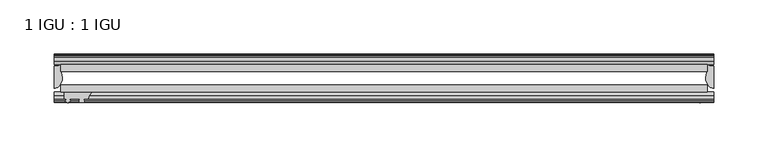
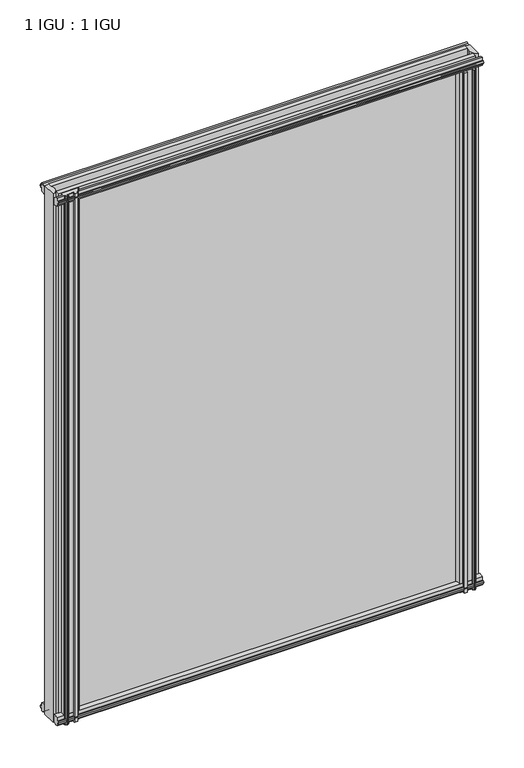
"""IFC4 building model written with IfcOpenShell, lengths in millimetres: plate geometry, 1 IGU : 1 IGU."""

from ifc_helpers import new_model, si_unit, point, frame, frame_2d, origin, place, context, project, spatial, polyline, circle_curve, ellipse_curve, trimmed, segment, composite_curve, outline, extrude, source, transform, mapped, element, save
from ifc_brep_helpers import plane_surface, cylinder_surface, revolved_surface, extruded_surface, advanced_brep


def plate_1_igu_1_igu_798d61ff(model_context):
    return source(origin(), model_context, "Body", "SolidModel", [
        extrude(outline(polyline([(-298.4500002, -38.6468937), (298.4500002, -38.6468937), (298.4500002, -44.9460938), (-298.4500002, -44.9460938), (-298.4500002, -38.6468937)])), frame((0.0, 0.0, -12.7), z_axis=(0.0, 0.0, 1.0), x_axis=(1.0, 0.0, 0.0)), (0.0, 0.0, 1.0), 800.0999999),
        extrude(outline(polyline([(-298.4500002, -19.5460937), (298.4500002, -19.5460937), (298.4500002, -25.8960938), (-298.4500002, -25.8960938), (-298.4500002, -19.5460937)])), frame((0.0, 0.0, -12.7), z_axis=(0.0, 0.0, 1.0), x_axis=(1.0, 0.0, 0.0)), (0.0, 0.0, 1.0), 800.0999999),
        advanced_brep(
        [(304.8000002, -21.1709383, -12.4587), (304.8000002, -41.5384061, -12.4587), (297.277663, -32.2460938, -12.4587), (298.4500002, -25.8452938, -12.4587), (298.4500002, -19.5460938, -12.4587), (304.8000002, -21.1709383, 787.3999999), (298.4500002, -19.5460938, 787.3999999), (298.4500002, -25.8452938, 787.3999999), (297.277663, -32.2460938, 787.3999999), (304.8000002, -41.5384061, 787.3999999)],
        [
            (0, 1),
            (1, 2, ellipse_curve(frame((304.8000002, -32.2460938, -12.4587), z_axis=(0.0, 0.0, -1.0), x_axis=(0.0, -1.0, 0.0)), 9.2923124, 7.5223371)),
            (2, 3, circle_curve(frame((315.3375765, -32.2460938, -12.4587), z_axis=(0.0, 0.0, -1.0), x_axis=(1.0, 0.0, 0.0)), 18.0599135)),
            (3, 4),
            (4, 0, circle_curve(frame((304.8000002, -7.950406, -12.4587), z_axis=(0.0, 0.0, 1.0), x_axis=(1.0, 0.0, 0.0)), 13.2205323)),
            (5, 6, circle_curve(frame((304.8000002, -7.950406, 787.3999999), z_axis=(0.0, 0.0, -1.0), x_axis=(1.0, 0.0, 0.0)), 13.2205323)),
            (6, 7),
            (7, 8, circle_curve(frame((315.3375765, -32.2460938, 787.3999999), z_axis=(0.0, 0.0, 1.0), x_axis=(1.0, 0.0, 0.0)), 18.0599135)),
            (8, 9, ellipse_curve(frame((304.8000002, -32.2460938, 787.3999999), z_axis=(0.0, 0.0, 1.0), x_axis=(0.0, -1.0, 0.0)), 9.2923124, 7.5223371)),
            (9, 5),
            (1, 9),
            (8, 2),
            (7, 3),
            (6, 4),
            (5, 0),
        ],
        [
            plane_surface(frame((304.8000002, -13.1960938, -12.4587), z_axis=(0.0, 0.0, -1.0), x_axis=(0.0, 1.0, 0.0))),
            plane_surface(frame((304.8000002, -13.1960938, 787.3999999), z_axis=(0.0, 0.0, 1.0), x_axis=(0.0, 1.0, 0.0))),
            extruded_surface(trimmed(ellipse_curve(frame((304.8000002, -32.2460938, 787.3999999), z_axis=(0.0, 0.0, -1.0), x_axis=(0.0, -1.0, 0.0)), 9.2923124, 7.5223371), [point((304.8000002, -41.5384061, 787.3999999))], [point((297.277663, -32.2460938, 787.3999999))], True, "CARTESIAN"), (0.0, 0.0, -799.8586999), 799.8586999),
            cylinder_surface(frame((315.3375765, -32.2460938, -12.4587), z_axis=(0.0, 0.0, -1.0), x_axis=(1.0, 0.0, 0.0)), 18.0599135),
            plane_surface(frame((298.4500002, -25.8452938, -12.4587), z_axis=(-1.0, 0.0, 0.0), x_axis=(0.0, 0.0, 1.0))),
            revolved_surface(polyline([(318.0205325, -7.950406, 787.3999999), (318.0205325, -7.950406, -12.4587)]), (304.8000002, -7.950406, -12.4587), (0.0, 0.0, 1.0)),
            plane_surface(frame((304.8000002, -21.1709383, -12.4587), z_axis=(1.0, 0.0, 0.0), x_axis=(0.0, 0.0, 1.0))),
        ],
        [
            (0, [[1, 2, 3, 4, 5]]),
            (1, [[6, 7, 8, 9, 10]]),
            (2, [[-2, 11, -9, 12]]),
            (3, [[-3, -12, -8, 13]]),
            (4, [[-4, -13, -7, 14]]),
            (5, [[-5, -14, -6, 15]]),
            (6, [[-1, -15, -10, -11]]),
        ],
    ),
        advanced_brep(
        [(-304.8000002, -21.1706006, -12.7), (-298.4513883, -19.5461438, -12.7), (-298.4513883, -25.8549351, -12.7), (-297.276037, -32.21431, -12.7), (-304.8000002, -41.5384043, -12.7), (-304.8000002, -21.1706006, 787.3999999), (-304.8000002, -41.5384043, 787.3999999), (-297.276037, -32.21431, 787.3999999), (-298.4513883, -25.8549351, 787.3999999), (-298.4513883, -19.5461438, 787.3999999)],
        [
            (0, 1, circle_curve(frame((-304.8005696, -7.9505008, -12.7), z_axis=(0.0, 0.0, 1.0), x_axis=(1.0, 0.0, 0.0)), 13.2200998)),
            (1, 2),
            (2, 3, circle_curve(frame((-315.3384013, -32.2643264, -12.7), z_axis=(0.0, 0.0, -1.0), x_axis=(1.0, 0.0, 0.0)), 18.0624336)),
            (3, 4, ellipse_curve(frame((-304.7991672, -32.2460921, -12.7), z_axis=(0.0, 0.0, -1.0), x_axis=(0.0, -1.0, 0.0)), 9.2923123, 7.5231742)),
            (4, 0),
            (5, 6),
            (6, 7, ellipse_curve(frame((-304.7991672, -32.2460921, 787.3999999), z_axis=(0.0, 0.0, 1.0), x_axis=(0.0, -1.0, 0.0)), 9.2923123, 7.5231742)),
            (7, 8, circle_curve(frame((-315.3384013, -32.2643264, 787.3999999), z_axis=(0.0, 0.0, 1.0), x_axis=(1.0, 0.0, 0.0)), 18.0624336)),
            (8, 9),
            (9, 5, circle_curve(frame((-304.8005696, -7.9505008, 787.3999999), z_axis=(0.0, 0.0, -1.0), x_axis=(1.0, 0.0, 0.0)), 13.2200998)),
            (0, 5),
            (9, 1),
            (8, 2),
            (7, 3),
            (6, 4),
        ],
        [
            plane_surface(frame((-304.8000002, -13.1960937, -12.7), z_axis=(0.0, 0.0, -1.0), x_axis=(0.0, 1.0, 0.0))),
            plane_surface(frame((-304.8000002, -13.1960937, 787.3999999), z_axis=(0.0, 0.0, 1.0), x_axis=(0.0, 1.0, 0.0))),
            revolved_surface(polyline([(-291.5804698, -7.9505008, 787.3999999), (-291.5804698, -7.9505008, -12.7)]), (-304.8005696, -7.9505008, -12.7), (0.0, 0.0, 1.0)),
            plane_surface(frame((-298.4513883, -19.5461438, -12.7), z_axis=(1.0, 0.0, 0.0), x_axis=(0.0, 0.0, 1.0))),
            cylinder_surface(frame((-315.3384013, -32.2643264, -12.7), z_axis=(0.0, 0.0, -1.0), x_axis=(1.0, 0.0, 0.0)), 18.0624336),
            extruded_surface(trimmed(ellipse_curve(frame((-304.7991672, -32.2460921, 787.3999999), z_axis=(0.0, 0.0, -1.0), x_axis=(0.0, -1.0, 0.0)), 9.2923123, 7.5231742), [point((-297.276037, -32.21431, 787.3999999))], [point((-304.8000002, -41.5384043, 787.3999999))], True, "CARTESIAN"), (0.0, 0.0, -800.0999999000001), 800.0999999000001),
            plane_surface(frame((-304.8000002, -41.5384043, -12.7), z_axis=(-1.0, 0.0, 0.0), x_axis=(0.0, 0.0, 1.0))),
        ],
        [
            (0, [[1, 2, 3, 4, 5]]),
            (1, [[6, 7, 8, 9, 10]]),
            (2, [[-1, 11, -10, 12]]),
            (3, [[-2, -12, -9, 13]]),
            (4, [[-3, -13, -8, 14]]),
            (5, [[-4, -14, -7, 15]]),
            (6, [[-5, -15, -6, -11]]),
        ],
    ),
        extrude(outline(polyline([(-44.9460937, 1.7177181), (-44.9460937, -9.1036578), (-48.3496937, -11.938), (-51.2960937, -11.938), (-51.2960937, -7.493), (-53.6762907, -7.112), (-53.2163575, -8.5275291), (-54.0175717, -8.5275291), (-54.7250937, -6.35), (-54.0175717, -4.1724709), (-53.2163575, -4.1724709), (-53.6762907, -5.588), (-51.2960937, -5.207), (-51.2960937, 0.0), (-44.9460937, 1.7177181)])), frame((-304.8000002, 0.0, 0.0), z_axis=(1.0, 0.0, 0.0), x_axis=(0.0, 1.0, 0.0)), (0.0, 0.0, 1.0), 609.6000003),
        extrude(outline(polyline([(-13.1960937, -12.4587), (-16.1424937, -12.4587), (-19.5460937, -9.6243578), (-19.5460937, 1.1970181), (-13.1960937, -0.5207), (-13.1960937, -5.7277), (-10.8158968, -6.1087), (-11.27583, -4.6931709), (-10.4746158, -4.6931709), (-9.7670937, -6.8707), (-10.4746158, -9.0482291), (-11.27583, -9.0482291), (-10.8158968, -7.6327), (-13.1960937, -8.0137), (-13.1960937, -12.4587)])), frame((-304.8000002, 0.0, 0.0), z_axis=(1.0, 0.0, 0.0), x_axis=(0.0, 1.0, 0.0)), (0.0, 0.0, 1.0), 609.6000003),
        extrude(outline(polyline([(-51.2960937, 786.6379999), (-48.3496937, 786.6379999), (-44.9460937, 783.8036577), (-44.9460937, 772.9822818), (-51.2960937, 774.6999999), (-51.2960937, 779.9069999), (-53.6762907, 780.2879999), (-53.2163575, 778.8724708), (-54.0175717, 778.8724708), (-54.7250937, 781.0499999), (-54.0175717, 783.2275289), (-53.2163575, 783.2275289), (-53.6762907, 781.8119999), (-51.2960937, 782.1929999), (-51.2960937, 786.6379999)])), frame((-304.8000002, 0.0, 0.0), z_axis=(1.0, 0.0, 0.0), x_axis=(0.0, 1.0, 0.0)), (0.0, 0.0, 1.0), 609.6000003),
        extrude(outline(polyline([(-19.5460937, 773.5029818), (-19.5460937, 784.3243577), (-16.1424937, 787.1586999), (-13.1960937, 787.1586999), (-13.1960937, 782.7136999), (-10.8158968, 782.3326999), (-11.27583, 783.7482289), (-10.4746158, 783.7482289), (-9.7670937, 781.5706999), (-10.4746158, 779.3931708), (-11.27583, 779.3931708), (-10.8158968, 780.8086999), (-13.1960937, 780.4276999), (-13.1960937, 775.2206999), (-19.5460937, 773.5029818)])), frame((-304.8000002, 0.0, 0.0), z_axis=(1.0, 0.0, 0.0), x_axis=(0.0, 1.0, 0.0)), (0.0, 0.0, 1.0), 609.6000003),
        extrude(outline(composite_curve([segment(polyline([(295.2750003, -44.9460938), (295.2750003, -51.2960938), (293.6240003, -51.2960938), (293.6240003, -52.9470938), (294.701631, -52.9470938)]), True, "CONTINUOUS"), segment(trimmed(circle_curve(frame_2d((293.6240003, -52.9470938)), 1.0776307), [point((294.701631, -52.9470938))], [point((294.3860003, -53.7090938))], False, "CARTESIAN"), True, "CONTINUOUS"), segment(polyline([(294.3860003, -53.7090938), (292.6467079, -54.8194621)]), True, "CONTINUOUS"), segment(trimmed(circle_curve(frame_2d((292.1000003, -53.9630938)), 1.016), [point((292.6467079, -54.8194621))], [point((291.5532927, -54.8194621))], False, "CARTESIAN"), True, "CONTINUOUS"), segment(polyline([(291.5532927, -54.8194621), (289.8140003, -53.7090938)]), True, "CONTINUOUS"), segment(trimmed(circle_curve(frame_2d((290.5760003, -52.9470938)), 1.0776307), [point((289.8140003, -53.7090938))], [point((289.4983696, -52.9470938))], False, "CARTESIAN"), True, "CONTINUOUS"), segment(polyline([(289.4983696, -52.9470938), (290.5760003, -52.9470938), (290.5760003, -51.2960938), (281.5082003, -51.2960938)]), True, "CONTINUOUS"), segment(trimmed(circle_curve(frame_2d((281.5082003, -51.7532938)), 0.4572), [point((281.5082003, -51.2960938))], [point((281.1693825, -52.0602698))], True, "CARTESIAN"), True, "CONTINUOUS"), segment(trimmed(circle_curve(frame_2d((279.4000003, -53.663367)), 2.3876), [point((281.1693825, -52.0602698))], [point((281.4706433, -54.8520938))], False, "CARTESIAN"), True, "CONTINUOUS"), segment(polyline([(281.4706433, -54.8520938), (277.3293573, -54.8520938)]), True, "CONTINUOUS"), segment(trimmed(circle_curve(frame_2d((279.4000003, -53.663367)), 2.3876), [point((277.3293573, -54.8520938))], [point((277.6306182, -52.0602698))], False, "CARTESIAN"), True, "CONTINUOUS"), segment(trimmed(circle_curve(frame_2d((277.2918003, -51.7532938)), 0.4572), [point((277.6306182, -52.0602698))], [point((277.2918003, -51.2960938))], True, "CARTESIAN"), True, "CONTINUOUS"), segment(polyline([(277.2918003, -51.2960938), (273.0500003, -51.2960938)]), True, "CONTINUOUS"), segment(trimmed(circle_curve(frame_2d((264.0340689, -51.9750196)), 9.0414579), [point((273.0500003, -51.2960938))], [point((269.7210858, -44.9460938))], True, "CARTESIAN"), True, "CONTINUOUS"), segment(polyline([(269.7210858, -44.9460938), (295.2750003, -44.9460938)]), True, "CONTINUOUS")], self_intersect=False)), frame((0.0, 0.0, -12.7), z_axis=(0.0, 0.0, 1.0), x_axis=(1.0, 0.0, 0.0)), (0.0, 0.0, 1.0), 787.3999999),
        extrude(outline(composite_curve([segment(trimmed(circle_curve(frame_2d((-264.0340689, -51.9750196)), 9.0414579), [point((-269.7210858, -44.9460938))], [point((-273.0500003, -51.2960938))], True, "CARTESIAN"), True, "CONTINUOUS"), segment(polyline([(-273.0500003, -51.2960938), (-277.2918003, -51.2960938)]), True, "CONTINUOUS"), segment(trimmed(circle_curve(frame_2d((-277.2918003, -51.7532938)), 0.4572), [point((-277.2918003, -51.2960938))], [point((-277.6306182, -52.0602698))], True, "CARTESIAN"), True, "CONTINUOUS"), segment(trimmed(circle_curve(frame_2d((-279.4000003, -53.663367)), 2.3876), [point((-277.6306182, -52.0602698))], [point((-277.3293573, -54.8520938))], False, "CARTESIAN"), True, "CONTINUOUS"), segment(polyline([(-277.3293573, -54.8520938), (-281.4706433, -54.8520938)]), True, "CONTINUOUS"), segment(trimmed(circle_curve(frame_2d((-279.4000003, -53.663367)), 2.3876), [point((-281.4706433, -54.8520938))], [point((-281.1693825, -52.0602698))], False, "CARTESIAN"), True, "CONTINUOUS"), segment(trimmed(circle_curve(frame_2d((-281.5082003, -51.7532938)), 0.4572), [point((-281.1693825, -52.0602698))], [point((-281.5082003, -51.2960938))], True, "CARTESIAN"), True, "CONTINUOUS"), segment(polyline([(-281.5082003, -51.2960938), (-290.5760003, -51.2960938), (-290.5760003, -52.9470938), (-289.4983696, -52.9470938)]), True, "CONTINUOUS"), segment(trimmed(circle_curve(frame_2d((-290.5760003, -52.9470938)), 1.0776307), [point((-289.4983696, -52.9470938))], [point((-289.8140003, -53.7090938))], False, "CARTESIAN"), True, "CONTINUOUS"), segment(polyline([(-289.8140003, -53.7090938), (-291.5532927, -54.8194621)]), True, "CONTINUOUS"), segment(trimmed(circle_curve(frame_2d((-292.1000003, -53.9630938)), 1.016), [point((-291.5532927, -54.8194621))], [point((-292.6467079, -54.8194621))], False, "CARTESIAN"), True, "CONTINUOUS"), segment(polyline([(-292.6467079, -54.8194621), (-294.3860003, -53.7090938)]), True, "CONTINUOUS"), segment(trimmed(circle_curve(frame_2d((-293.6240003, -52.9470938)), 1.0776307), [point((-294.3860003, -53.7090938))], [point((-294.701631, -52.9470938))], False, "CARTESIAN"), True, "CONTINUOUS"), segment(polyline([(-294.701631, -52.9470938), (-293.6240003, -52.9470938), (-293.6240003, -51.2960938), (-295.2750003, -51.2960938), (-295.2750003, -44.9460938), (-269.7210858, -44.9460938)]), True, "CONTINUOUS")], self_intersect=False)), frame((0.0, 0.0, -12.7), z_axis=(0.0, 0.0, 1.0), x_axis=(1.0, 0.0, 0.0)), (0.0, 0.0, 1.0), 800.1),
    ])


if __name__ == "__main__":
    model = new_model("IFC4")
    model_context = context("Model", 3, world=origin())
    ifc_project = project(units=[si_unit("LENGTHUNIT", "METRE", prefix="MILLI")], contexts=[model_context])
    site = spatial("IfcSite", under=ifc_project)
    building = spatial("IfcBuilding", under=site)
    placement = place(None, origin())
    plate_1_igu_1_igu_shape = plate_1_igu_1_igu_798d61ff(model_context)
    element("IfcPlate", 1, ObjectType="1 IGU : 1 IGU", at=placement, inside=building, context=model_context, shape_type="MappedRepresentation", body=[
        mapped(plate_1_igu_1_igu_shape, transform((0.0, 0.0, 0.0), x_axis=(1.0, 0.0, 0.0), y_axis=(0.0, 1.0, 0.0), z_axis=(0.0, 0.0, 1.0))),
    ])
    save(model, "model.ifc")
